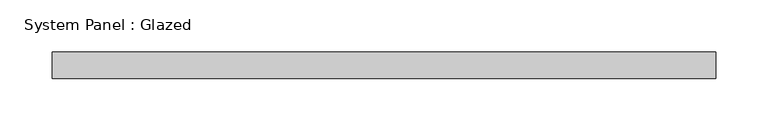
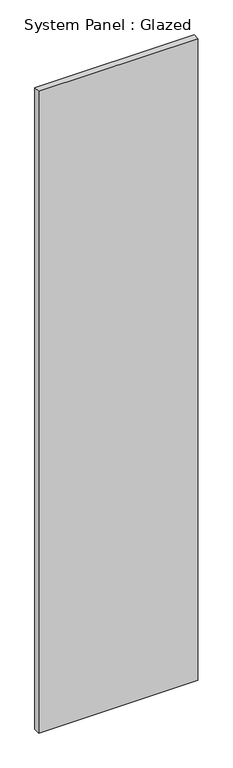
"""IFC4 building model written with IfcOpenShell, lengths in millimetres: plate geometry, System Panel : Glazed."""

from ifc_helpers import new_model, si_unit, origin, origin_with_axes, place, context, project, spatial, polyline, outline, extrude, source, transform, mapped, element, save


def system_panel_glazed_dcb0bc25(model_context):
    return source(origin(), model_context, "Body", "SweptSolid", [
        extrude(outline(polyline([(316.8479056, 24.5), (-316.8479056, 24.5), (-316.8479056, 49.5), (316.8479056, 49.5), (316.8479056, 24.5)])), origin_with_axes(), (0.0, 0.0, 1.0), 2700.0),
    ])


if __name__ == "__main__":
    model = new_model("IFC4")
    model_context = context("Model", 3, world=origin())
    ifc_project = project(units=[si_unit("LENGTHUNIT", "METRE", prefix="MILLI")], contexts=[model_context])
    site = spatial("IfcSite", under=ifc_project)
    building = spatial("IfcBuilding", under=site)
    placement = place(None, origin())
    system_panel_glazed_shape = system_panel_glazed_dcb0bc25(model_context)
    element("IfcPlate", 1, ObjectType="System Panel : Glazed", at=placement, inside=building, context=model_context, shape_type="MappedRepresentation", body=[
        mapped(system_panel_glazed_shape, transform((0.0, 0.0, 0.0), x_axis=(1.0, 0.0, 0.0), y_axis=(0.0, 1.0, 0.0), z_axis=(0.0, 0.0, 1.0))),
    ])
    save(model, "model.ifc")
